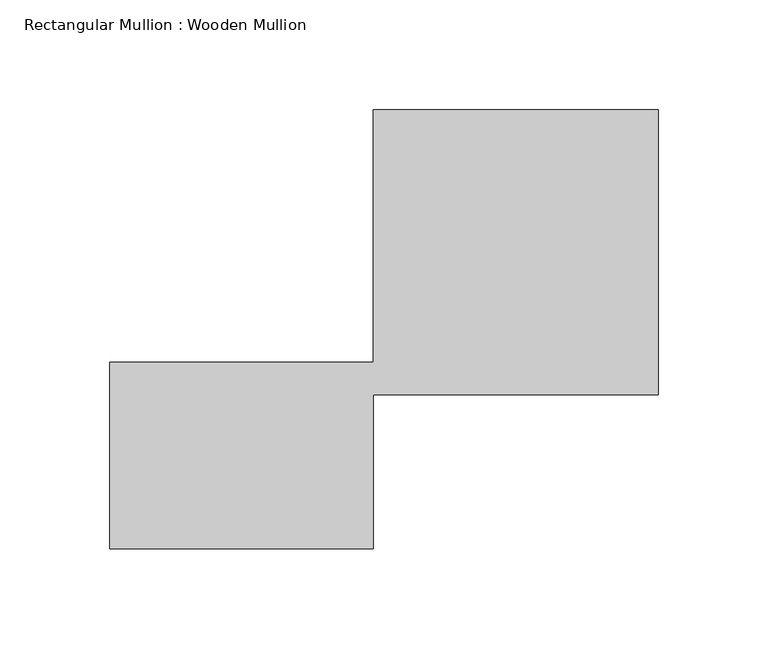
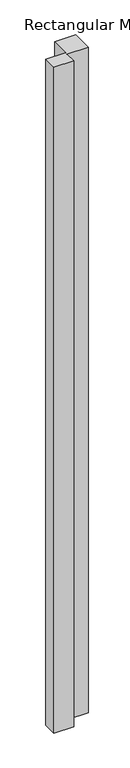
"""IFC4 building model written with IfcOpenShell, lengths in millimetres: member geometry, Rectangular Mullion : Wooden Mullion."""

from ifc_helpers import new_model, si_unit, frame, origin, place, context, project, spatial, polyline, outline, extrude, source, transform, mapped, element, save


def rectangular_mullion_wooden_mullion_8009296f(model_context):
    return source(origin(), model_context, "Body", "SweptSolid", [
        extrude(outline(polyline([(74.8100006, -26.0137344), (-45.1899994, -26.0137344), (-45.1899994, 58.9862656), (74.8100006, 58.9862656), (74.8100006, 173.9862656), (204.8100006, 173.9862656), (204.8100006, 43.9862656), (74.8100006, 43.9862656), (74.8100006, -26.0137344)])), frame((0.0, 0.0, -4282.7482698), z_axis=(0.0, 0.0, 1.0), x_axis=(1.0, 0.0, 0.0)), (0.0, 0.0, 1.0), 4282.7482698),
    ])


if __name__ == "__main__":
    model = new_model("IFC4")
    model_context = context("Model", 3, world=origin())
    ifc_project = project(units=[si_unit("LENGTHUNIT", "METRE", prefix="MILLI")], contexts=[model_context])
    site = spatial("IfcSite", under=ifc_project)
    building = spatial("IfcBuilding", under=site)
    placement = place(None, origin())
    rectangular_mullion_wooden_mullion_shape = rectangular_mullion_wooden_mullion_8009296f(model_context)
    element("IfcMember", 1, ObjectType="Rectangular Mullion : Wooden Mullion", at=placement, inside=building, context=model_context, shape_type="MappedRepresentation", body=[
        mapped(rectangular_mullion_wooden_mullion_shape, transform((0.0, 0.0, 0.0), x_axis=(1.0, 0.0, 0.0), y_axis=(0.0, 1.0, 0.0), z_axis=(0.0, 0.0, 1.0))),
    ])
    save(model, "model.ifc")
